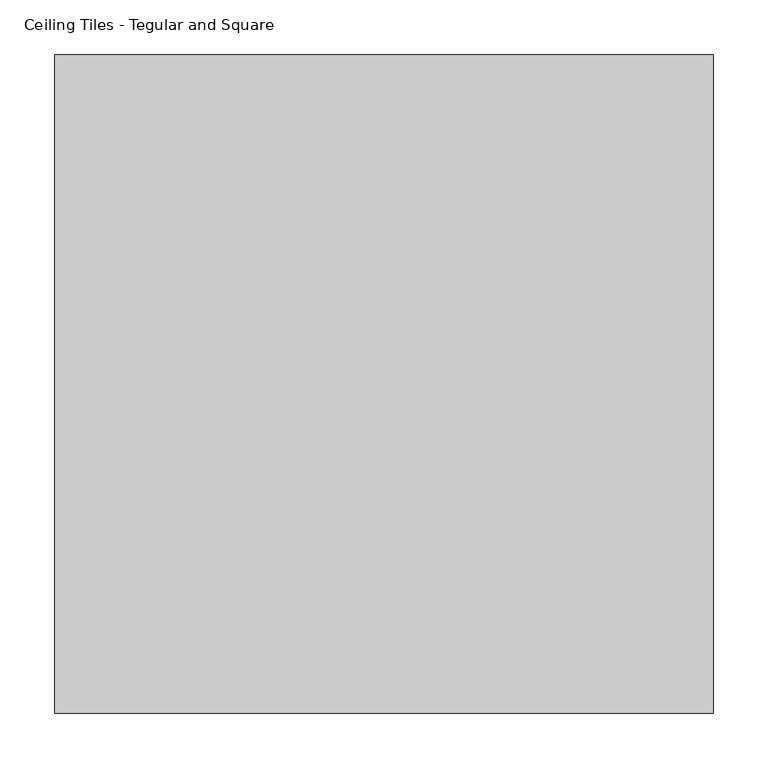
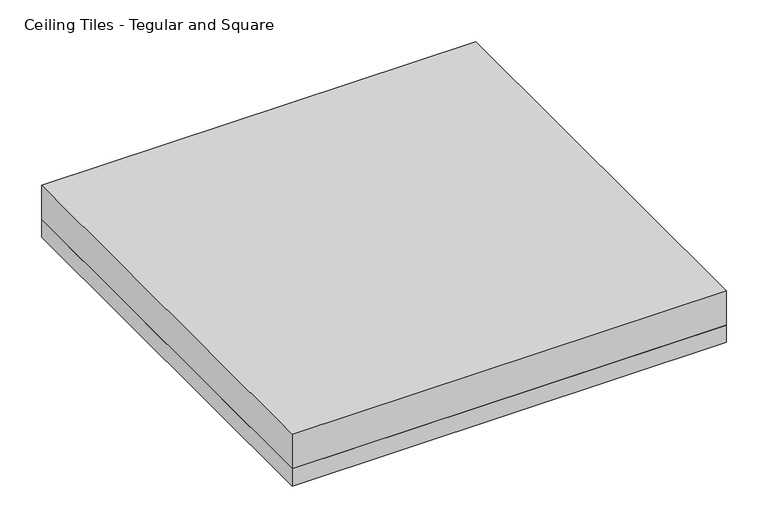
"""IFC4 building model written with IfcOpenShell, lengths in millimetres: proxy geometry, Ceiling Tiles - Tegular and Square."""

from ifc_helpers import new_model, si_unit, frame, origin, origin_with_axes, place, context, project, spatial, polyline, outline, extrude, source, transform, mapped, element, save


def ceiling_tiles_tegular_and_square_556b8b9d(model_context):
    return source(origin(), model_context, "Body", "SweptSolid", [
        extrude(outline(polyline([(301.625, 301.625), (301.625, -301.625), (-301.625, -301.625), (-301.625, 301.625), (301.625, 301.625)])), origin_with_axes(), (0.0, 0.0, 1.0), 25.4),
        extrude(outline(polyline([(-301.625, 301.625), (301.625, 301.625), (301.625, -301.625), (-301.625, -301.625), (-301.625, 301.625)])), frame((0.0, 0.0, 25.4), z_axis=(0.0, 0.0, 1.0), x_axis=(1.0, 0.0, 0.0)), (0.0, 0.0, 1.0), 50.8),
    ])


if __name__ == "__main__":
    model = new_model("IFC4")
    model_context = context("Model", 3, world=origin())
    ifc_project = project(units=[si_unit("LENGTHUNIT", "METRE", prefix="MILLI")], contexts=[model_context])
    site = spatial("IfcSite", under=ifc_project)
    building = spatial("IfcBuilding", under=site)
    placement = place(None, origin())
    ceiling_tiles_tegular_and_square_shape = ceiling_tiles_tegular_and_square_556b8b9d(model_context)
    element("IfcBuildingElementProxy", 1, Name="Ceiling Tiles - Tegular and Square", ObjectType="Ceiling Tiles - Tegular and Square", at=placement, inside=building, context=model_context, shape_type="MappedRepresentation", body=[
        mapped(ceiling_tiles_tegular_and_square_shape, transform((0.0, 0.0, 0.0), x_axis=(1.0, 0.0, 0.0), y_axis=(0.0, 1.0, 0.0), z_axis=(0.0, 0.0, 1.0))),
    ])
    save(model, "model.ifc")
